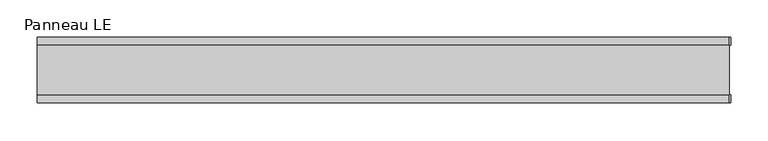
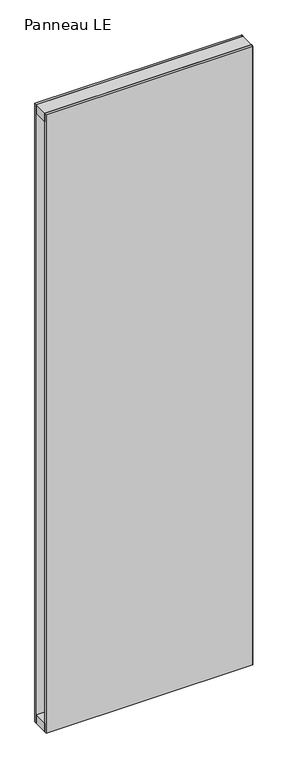
"""IFC4 building model written with IfcOpenShell, lengths in millimetres: plate geometry, Panneau LE."""

from ifc_helpers import new_model, si_unit, frame, origin, origin_with_axes, place, context, project, spatial, polyline, outline, extrude, source, transform, mapped, element, save


def panneau_le_24612fee(model_context):
    return source(origin(), model_context, "Body", "SweptSolid", [
        extrude(outline(polyline([(464.7520247, 43.8), (464.7520247, 33.0), (462.7520247, 33.0), (462.7520247, 43.8), (464.7520247, 43.8)])), origin_with_axes(), (0.0, 0.0, 1.0), 2933.0),
        extrude(outline(polyline([(464.7520247, -33.0), (464.7520247, -43.8), (462.7520247, -43.8), (462.7520247, -33.0), (464.7520247, -33.0)])), origin_with_axes(), (0.0, 0.0, 1.0), 2933.0),
        extrude(outline(polyline([(462.7520247, -33.0), (-462.7520247, -33.0), (-462.7520247, 33.0), (462.7520247, 33.0), (462.7520247, -33.0)])), frame((0.0, 0.0, 2893.0), z_axis=(0.0, 0.0, 1.0), x_axis=(1.0, 0.0, 0.0)), (0.0, 0.0, 1.0), 40.0),
        extrude(outline(polyline([(462.7520247, -33.0), (-462.7520247, -33.0), (-462.7520247, 33.0), (462.7520247, 33.0), (462.7520247, -33.0)])), origin_with_axes(), (0.0, 0.0, 1.0), 40.0),
        extrude(outline(polyline([(462.7520247, 33.0), (-462.7520247, 33.0), (-462.7520247, 43.8), (462.7520247, 43.8), (462.7520247, 33.0)])), origin_with_axes(), (0.0, 0.0, 1.0), 2933.0),
        extrude(outline(polyline([(-462.7520247, -43.8), (-462.7520247, -33.0), (462.7520247, -33.0), (462.7520247, -43.8), (-462.7520247, -43.8)])), origin_with_axes(), (0.0, 0.0, 1.0), 2933.0),
    ])


if __name__ == "__main__":
    model = new_model("IFC4")
    model_context = context("Model", 3, world=origin())
    ifc_project = project(units=[si_unit("LENGTHUNIT", "METRE", prefix="MILLI")], contexts=[model_context])
    site = spatial("IfcSite", under=ifc_project)
    building = spatial("IfcBuilding", under=site)
    placement = place(None, origin())
    panneau_le_shape = panneau_le_24612fee(model_context)
    element("IfcPlate", 1, ObjectType="Panneau LE", at=placement, inside=building, context=model_context, shape_type="MappedRepresentation", body=[
        mapped(panneau_le_shape, transform((0.0, 0.0, 0.0), x_axis=(1.0, 0.0, 0.0), y_axis=(0.0, 1.0, 0.0), z_axis=(0.0, 0.0, 1.0))),
    ])
    save(model, "model.ifc")
